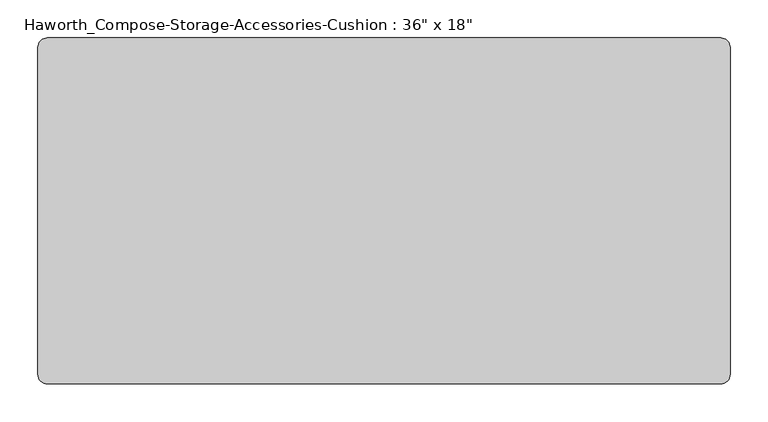
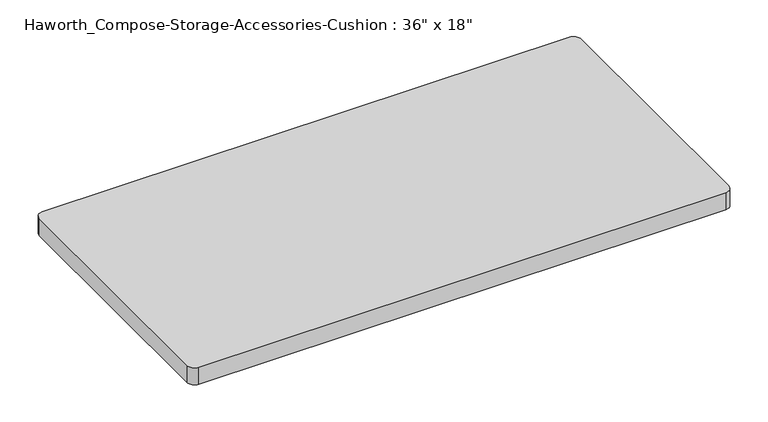
"""IFC4 building model written with IfcOpenShell, lengths in millimetres: furniture geometry."""

import ifcopenshell
import ifcopenshell.guid

model = None  # the IFC model being written
_history = None  # IfcOwnerHistory: only IFC2X3 demands one
_inside = {}  # id of a spatial element -> (the spatial element, [elements in it])
_under = {}  # id of a project, library or spatial element -> (it, [spatial elements below it])
_declared = {}  # id of a project -> (the project, [libraries it declares])
_typed = {}  # id of a type object -> (the type object, [elements of that type])
_made_of = {}  # id of a material, layer set ... -> (it, [elements and type objects made of it])


def new_model(schema):
    """Start an empty IFC model of exactly this schema.

    Asked for "IFC4X3", IfcOpenShell would pick the latest addendum, in which some entities
    have other attributes; the version numbers below select the first issue.
    IFC2X3 requires an IfcOwnerHistory on every rooted entity: one is made here for all.
    """
    global model, _history
    if schema == "IFC4X3":
        model = ifcopenshell.file(schema_version=(4, 3, 0, 0))
    else:
        model = ifcopenshell.file(schema=schema)
    _inside.clear()
    _under.clear()
    _declared.clear()
    _typed.clear()
    _made_of.clear()
    _history = None
    if model.schema == "IFC2X3":
        org = make("IfcOrganization", Name="unknown")
        user = make(
            "IfcPersonAndOrganization",
            ThePerson=make("IfcPerson", FamilyName="unknown"),
            TheOrganization=org,
        )
        app = make(
            "IfcApplication",
            ApplicationDeveloper=org,
            Version="unknown",
            ApplicationFullName="unknown",
            ApplicationIdentifier="unknown",
        )
        _history = make(
            "IfcOwnerHistory",
            OwningUser=user,
            OwningApplication=app,
            ChangeAction="ADDED",
            CreationDate=0,
        )
    return model


def make(cls, **values):
    """One entity of the class cls with the attributes given. An attribute that is None is left unset."""
    return model.create_entity(
        cls, **{name: value for name, value in values.items() if value is not None}
    )


def rooted(cls, **values):
    """An entity with a GlobalId (a new one), such as an element, a storey or a relation."""
    return make(cls, GlobalId=ifcopenshell.guid.new(), OwnerHistory=_history, **values)


def si_unit(unit_type, name, prefix=None):
    """IfcSIUnit, for example si_unit("LENGTHUNIT", "METRE", prefix="MILLI")."""
    return make("IfcSIUnit", UnitType=unit_type, Prefix=prefix, Name=name)


def assignment(units):
    """IfcUnitAssignment: the units of a project."""
    return None if units is None else make("IfcUnitAssignment", Units=units)


def point(xyz):
    """IfcCartesianPoint."""
    return None if xyz is None else make("IfcCartesianPoint", Coordinates=xyz)


def direction(xyz):
    """IfcDirection."""
    return None if xyz is None else make("IfcDirection", DirectionRatios=xyz)


def frame(location, z_axis=None, x_axis=None):
    """IfcAxis2Placement3D, a coordinate frame: its origin and axes. An axis left out is left unset."""
    return make(
        "IfcAxis2Placement3D",
        Location=point(location),
        Axis=direction(z_axis),
        RefDirection=direction(x_axis),
    )


def frame_2d(location, x_axis=None):
    """IfcAxis2Placement2D, a coordinate frame in the plane: its origin and x axis."""
    return make(
        "IfcAxis2Placement2D", Location=point(location), RefDirection=direction(x_axis)
    )


def origin():
    """The frame at (0, 0, 0) with its axes left unset."""
    return frame((0.0, 0.0, 0.0))


def place(relative_to, where):
    """IfcLocalPlacement: puts the frame where relative to a parent placement (None: the world)."""
    return make(
        "IfcLocalPlacement", PlacementRelTo=relative_to, RelativePlacement=where
    )


def context(
    kind, dimensions, precision=None, world=None, true_north=None, identifier=None
):
    """IfcGeometricRepresentationContext, for example the 3D "Model" context."""
    return make(
        "IfcGeometricRepresentationContext",
        ContextIdentifier=identifier,
        ContextType=kind,
        CoordinateSpaceDimension=dimensions,
        Precision=precision,
        WorldCoordinateSystem=world,
        TrueNorth=true_north,
    )


def project(units=None, contexts=None):
    """IfcProject with its units and contexts."""
    return rooted(
        "IfcProject",
        Name="project",
        RepresentationContexts=contexts,
        UnitsInContext=assignment(units),
    )


def spatial(cls, under=None, at=None, **own):
    """A site, building, storey or space (cls), placed at a placement, below another one or the project."""
    s = rooted(cls, ObjectPlacement=at, **own)
    if under is not None:
        _under.setdefault(under.id(), (under, []))[1].append(s)
    return s


def polyline(points):
    """IfcPolyline through the points."""
    return make("IfcPolyline", Points=[point(p) for p in points])


def circle_curve(where, radius):
    """IfcCircle in the frame where."""
    return make("IfcCircle", Position=where, Radius=radius)


def trimmed(basis, trim1, trim2, sense, master):
    """IfcTrimmedCurve: the piece of a basis curve between two trims."""
    return make(
        "IfcTrimmedCurve",
        BasisCurve=basis,
        Trim1=trim1,
        Trim2=trim2,
        SenseAgreement=sense,
        MasterRepresentation=master,
    )


def segment(curve, same_sense, transition):
    """IfcCompositeCurveSegment."""
    return make(
        "IfcCompositeCurveSegment",
        Transition=transition,
        SameSense=same_sense,
        ParentCurve=curve,
    )


def composite_curve(segments, self_intersect=None):
    """IfcCompositeCurve: segments joined end to end."""
    return make("IfcCompositeCurve", Segments=segments, SelfIntersect=self_intersect)


def outline(outer, holes=None, kind="AREA"):
    """IfcArbitraryClosedProfileDef: a profile drawn as a closed curve; with holes, ...WithVoids."""
    if holes is None:
        return make("IfcArbitraryClosedProfileDef", ProfileType=kind, OuterCurve=outer)
    return make(
        "IfcArbitraryProfileDefWithVoids",
        ProfileType=kind,
        OuterCurve=outer,
        InnerCurves=holes,
    )


def extrude(swept, where, along, depth):
    """IfcExtrudedAreaSolid: the profile swept, set in the frame where, extruded along a direction by depth."""
    return make(
        "IfcExtrudedAreaSolid",
        SweptArea=swept,
        Position=where,
        ExtrudedDirection=direction(along),
        Depth=depth,
    )


def shape(context_of_items, identifier, shape_type, items):
    """IfcShapeRepresentation: the items that make up one representation, for example the "Body"."""
    return make(
        "IfcShapeRepresentation",
        ContextOfItems=context_of_items,
        RepresentationIdentifier=identifier,
        RepresentationType=shape_type,
        Items=items,
    )


def source(mapping_origin, context_of_items, identifier, shape_type, items):
    """IfcRepresentationMap: a shape defined once, which mapped items show again and again."""
    return make(
        "IfcRepresentationMap",
        MappingOrigin=mapping_origin,
        MappedRepresentation=shape(context_of_items, identifier, shape_type, items),
    )


def transform(
    local_origin,
    x_axis=None,
    y_axis=None,
    z_axis=None,
    scale=None,
    scale2=None,
    scale3=None,
    uniform=True,
):
    """IfcCartesianTransformationOperator3D, or its non-uniform kind. x_axis, y_axis, z_axis: its Axis1, 2, 3."""
    if uniform:
        return make(
            "IfcCartesianTransformationOperator3D",
            Axis1=direction(x_axis),
            Axis2=direction(y_axis),
            LocalOrigin=point(local_origin),
            Scale=scale,
            Axis3=direction(z_axis),
        )
    return make(
        "IfcCartesianTransformationOperator3DnonUniform",
        Axis1=direction(x_axis),
        Axis2=direction(y_axis),
        LocalOrigin=point(local_origin),
        Scale=scale,
        Axis3=direction(z_axis),
        Scale2=scale2,
        Scale3=scale3,
    )


def mapped(mapping_source, mapping_target):
    """IfcMappedItem: shows the shape of a source again, moved by a transform."""
    return make(
        "IfcMappedItem", MappingSource=mapping_source, MappingTarget=mapping_target
    )


def made_of(thing, what):
    """Note that an element or type object is made of a material, layer set ...; save() writes the relation."""
    if what is not None:
        _made_of.setdefault(what.id(), (what, []))[1].append(thing)
    return thing


def element(
    cls,
    number,
    at=None,
    inside=None,
    cuts=None,
    type_object=None,
    material=None,
    context=None,
    identifier="Body",
    shape_type=None,
    held_by="IfcProductDefinitionShape",
    body=None,
    shapes=None,
    **own,
):
    """One element of the class cls, such as IfcWall. Its Tag is "e" and its number.

    at: its placement. inside: the storey or other place that contains it. cuts: it is an
    opening in that element (IfcRelVoidsElement). A single representation is given by context,
    identifier, shape_type and body (its items); several are given by shapes. held_by: the class
    of the entity that holds the representations. save() writes the other relations.
    """
    e = rooted(cls, Tag="e%d" % number, ObjectPlacement=at, **own)
    if body is not None:
        shapes = [shape(context, identifier, shape_type, body)]
    if shapes is not None:
        e.Representation = make(held_by, Representations=shapes)
    if inside is not None:
        _inside.setdefault(inside.id(), (inside, []))[1].append(e)
    if cuts is not None:
        rooted(
            "IfcRelVoidsElement", RelatingBuildingElement=cuts, RelatedOpeningElement=e
        )
    if type_object is not None:
        _typed.setdefault(type_object.id(), (type_object, []))[1].append(e)
    return made_of(e, material)


def aggregate(whole, parts):
    """IfcRelAggregates: a whole, such as a stair, and the parts it consists of."""
    return rooted("IfcRelAggregates", RelatingObject=whole, RelatedObjects=parts)


def save(model, path):
    """Write the relations noted so far, then the file.

    IfcRelAggregates (storeys below a building ...), IfcRelContainedInSpatialStructure (elements
    in a storey), IfcRelDefinesByType, IfcRelAssociatesMaterial and IfcRelDeclares: one each for
    every whole, place, type object, material and project.
    """
    for whole, parts in _under.values():
        aggregate(whole, parts)
    for where, things in _inside.values():
        rooted(
            "IfcRelContainedInSpatialStructure",
            RelatedElements=things,
            RelatingStructure=where,
        )
    for kind, things in _typed.values():
        rooted("IfcRelDefinesByType", RelatedObjects=things, RelatingType=kind)
    for what, things in _made_of.values():
        rooted("IfcRelAssociatesMaterial", RelatedObjects=things, RelatingMaterial=what)
    for by, libraries in _declared.values():
        rooted("IfcRelDeclares", RelatingContext=by, RelatedDefinitions=libraries)
    model.write(path)


def furniture_998b0064(model_context):
    return source(origin(), model_context, "Body", "SweptSolid", [
        extrude(outline(composite_curve([segment(polyline([(444.5, -228.6), (-444.5, -228.6)]), True, "CONTINUOUS"), segment(trimmed(circle_curve(frame_2d((-444.5, -215.9)), 12.7), [point((-444.5, -228.6))], [point((-457.2, -215.9))], False, "CARTESIAN"), True, "CONTINUOUS"), segment(polyline([(-457.2, -215.9), (-457.2, 215.9)]), True, "CONTINUOUS"), segment(trimmed(circle_curve(frame_2d((-444.5, 215.9)), 12.7), [point((-457.2, 215.9))], [point((-444.5, 228.6))], False, "CARTESIAN"), True, "CONTINUOUS"), segment(polyline([(-444.5, 228.6), (444.5, 228.6)]), True, "CONTINUOUS"), segment(trimmed(circle_curve(frame_2d((444.5, 215.9)), 12.7), [point((444.5, 228.6))], [point((457.2, 215.9))], False, "CARTESIAN"), True, "CONTINUOUS"), segment(polyline([(457.2, 215.9), (457.2, -215.9)]), True, "CONTINUOUS"), segment(trimmed(circle_curve(frame_2d((444.5, -215.9)), 12.7), [point((457.2, -215.9))], [point((444.5, -228.6))], False, "CARTESIAN"), True, "CONTINUOUS")], self_intersect=False)), frame((0.0, 0.0, 609.6), z_axis=(0.0, 0.0, 1.0), x_axis=(1.0, 0.0, 0.0)), (0.0, 0.0, 1.0), 30.1625),
    ])


if __name__ == "__main__":
    model = new_model("IFC4")
    model_context = context("Model", 3, world=origin())
    ifc_project = project(units=[si_unit("LENGTHUNIT", "METRE", prefix="MILLI")], contexts=[model_context])
    site = spatial("IfcSite", under=ifc_project)
    building = spatial("IfcBuilding", under=site)
    placement = place(None, origin())
    furniture_shape = furniture_998b0064(model_context)
    element("IfcFurniture", 1, ObjectType="Haworth_Compose-Storage-Accessories-Cushion : 36\" x 18\"", at=placement, inside=building, context=model_context, shape_type="MappedRepresentation", body=[
        mapped(furniture_shape, transform((0.0, 0.0, 0.0), x_axis=(1.0, 0.0, 0.0), y_axis=(0.0, 1.0, 0.0), z_axis=(0.0, 0.0, 1.0))),
    ])
    save(model, "model.ifc")
